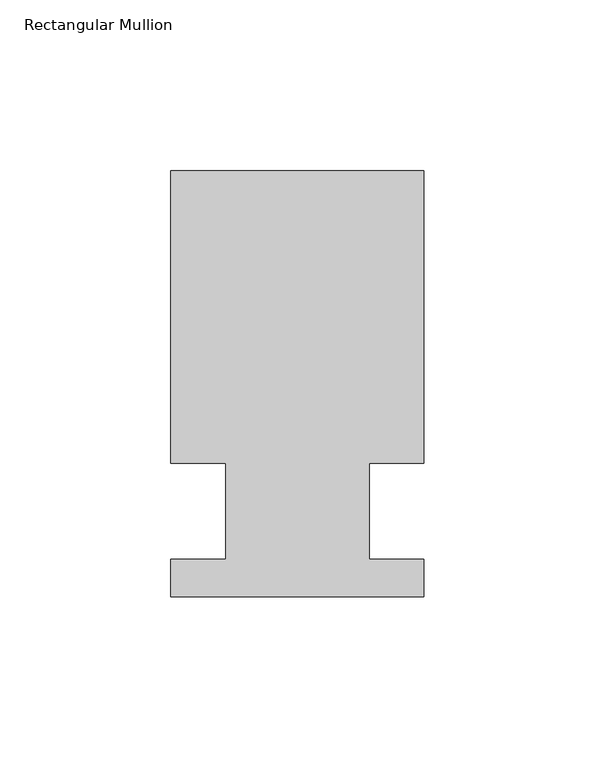
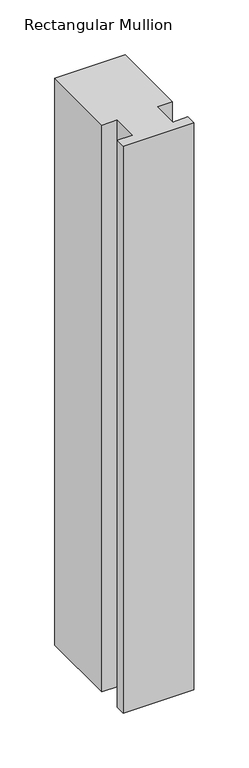
"""IFC4 building model written with IfcOpenShell, lengths in millimetres: member geometry, Rectangular Mullion."""

from ifc_helpers import new_model, si_unit, frame, origin, place, context, project, spatial, polyline, outline, extrude, source, transform, mapped, element, save


def rectangular_mullion_ecd4a5bb(model_context):
    return source(origin(), model_context, "Body", "SweptSolid", [
        extrude(outline(polyline([(-20.9800745, 13.9998907), (-37.0, 13.9998907), (-37.0, 99.5), (37.0, 99.5), (37.0, 13.9998907), (20.9800745, 13.9998907), (20.9800745, -14.0), (36.9800745, -14.0), (36.9800745, -25.0), (-37.0, -25.0), (-37.0, -14.0), (-20.9800745, -14.0), (-20.9800745, 13.9998907)])), frame((0.0, 0.0, -629.2487586), z_axis=(0.0, 0.0, 1.0), x_axis=(1.0, 0.0, 0.0)), (0.0, 0.0, 1.0), 629.2487586),
    ])


if __name__ == "__main__":
    model = new_model("IFC4")
    model_context = context("Model", 3, world=origin())
    ifc_project = project(units=[si_unit("LENGTHUNIT", "METRE", prefix="MILLI")], contexts=[model_context])
    site = spatial("IfcSite", under=ifc_project)
    building = spatial("IfcBuilding", under=site)
    placement = place(None, origin())
    rectangular_mullion_shape = rectangular_mullion_ecd4a5bb(model_context)
    element("IfcMember", 1, ObjectType="Rectangular Mullion", at=placement, inside=building, context=model_context, shape_type="MappedRepresentation", body=[
        mapped(rectangular_mullion_shape, transform((0.0, 0.0, 0.0), x_axis=(1.0, 0.0, 0.0), y_axis=(0.0, 1.0, 0.0), z_axis=(0.0, 0.0, 1.0))),
    ])
    save(model, "model.ifc")
